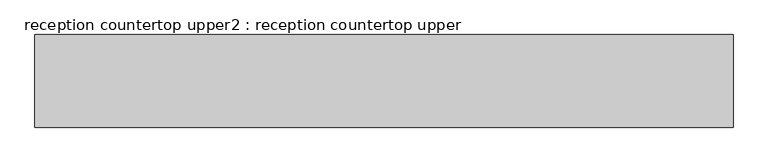
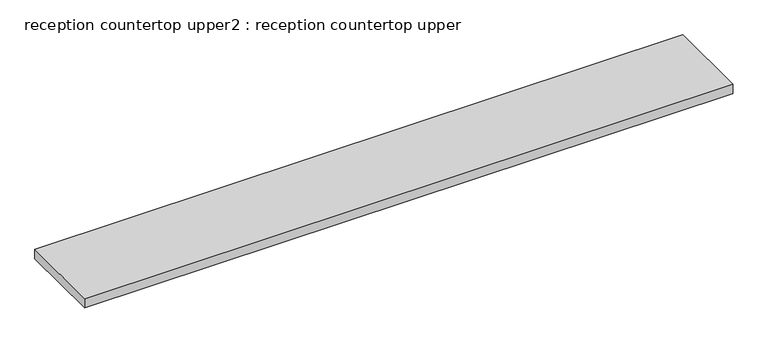
"""IFC4 building model written with IfcOpenShell, lengths in millimetres: furniture geometry, reception countertop upper2 : reception countertop upper."""

from ifc_helpers import new_model, si_unit, frame, origin, place, context, project, spatial, polyline, outline, extrude, source, transform, mapped, element, save


def reception_countertop_upper2_reception_countertop_upper_217bd8e8(model_context):
    return source(origin(), model_context, "Body", "SweptSolid", [
        extrude(outline(polyline([(34772.6, 1447.8), (32283.4, 1447.8), (32283.4, 1778.0), (34772.6, 1778.0), (34772.6, 1447.8)])), frame((0.0, 0.0, 1028.7), z_axis=(0.0, 0.0, 1.0), x_axis=(1.0, 0.0, 0.0)), (0.0, 0.0, 1.0), 38.1),
    ])


if __name__ == "__main__":
    model = new_model("IFC4")
    model_context = context("Model", 3, world=origin())
    ifc_project = project(units=[si_unit("LENGTHUNIT", "METRE", prefix="MILLI")], contexts=[model_context])
    site = spatial("IfcSite", under=ifc_project)
    building = spatial("IfcBuilding", under=site)
    placement = place(None, origin())
    reception_countertop_upper2_reception_countertop_upper_shape = reception_countertop_upper2_reception_countertop_upper_217bd8e8(model_context)
    element("IfcFurniture", 1, ObjectType="reception countertop upper2 : reception countertop upper", at=placement, inside=building, context=model_context, shape_type="MappedRepresentation", body=[
        mapped(reception_countertop_upper2_reception_countertop_upper_shape, transform((0.0, 0.0, 0.0), x_axis=(1.0, 0.0, 0.0), y_axis=(0.0, 1.0, 0.0), z_axis=(0.0, 0.0, 1.0))),
    ])
    save(model, "model.ifc")
